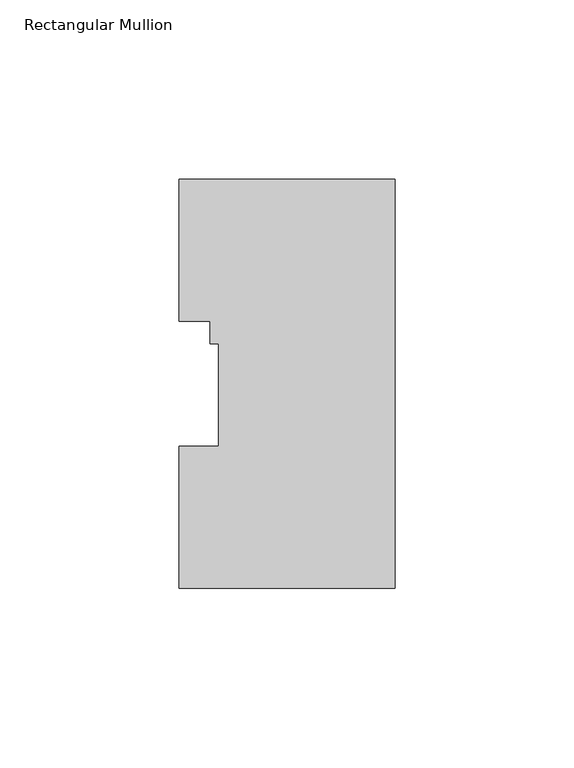
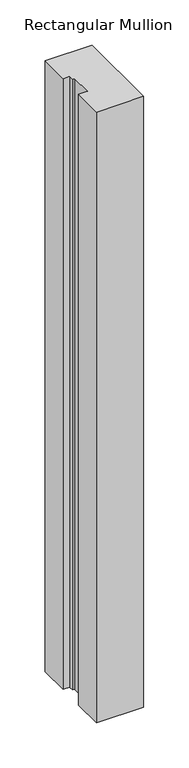
"""IFC4 building model written with IfcOpenShell, lengths in millimetres: member geometry, Rectangular Mullion."""

from ifc_helpers import new_model, si_unit, frame, origin, place, context, project, spatial, polyline, outline, extrude, source, transform, mapped, element, save


def rectangular_mullion_eeb8501c(model_context):
    return source(origin(), model_context, "Body", "SweptSolid", [
        extrude(outline(polyline([(0.0, 114.271425), (0.0, -0.028575), (-60.325, -0.028575), (-60.325, 39.646225), (-49.2125, 39.646225), (-49.2125, 68.246625), (-51.5874, 68.246625), (-51.5874, 74.596625), (-60.325, 74.596625), (-60.325, 114.271425), (0.0, 114.271425)])), frame((0.0, 0.0, -825.4999994), z_axis=(0.0, 0.0, 1.0), x_axis=(1.0, 0.0, 0.0)), (0.0, 0.0, 1.0), 825.4999994),
    ])


if __name__ == "__main__":
    model = new_model("IFC4")
    model_context = context("Model", 3, world=origin())
    ifc_project = project(units=[si_unit("LENGTHUNIT", "METRE", prefix="MILLI")], contexts=[model_context])
    site = spatial("IfcSite", under=ifc_project)
    building = spatial("IfcBuilding", under=site)
    placement = place(None, origin())
    rectangular_mullion_shape = rectangular_mullion_eeb8501c(model_context)
    element("IfcMember", 1, ObjectType="Rectangular Mullion", at=placement, inside=building, context=model_context, shape_type="MappedRepresentation", body=[
        mapped(rectangular_mullion_shape, transform((0.0, 0.0, 0.0), x_axis=(1.0, 0.0, 0.0), y_axis=(0.0, 1.0, 0.0), z_axis=(0.0, 0.0, 1.0))),
    ])
    save(model, "model.ifc")
